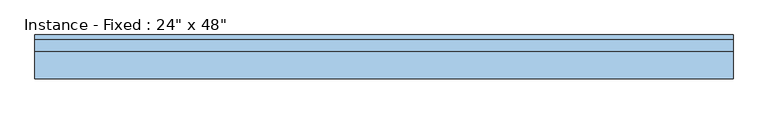
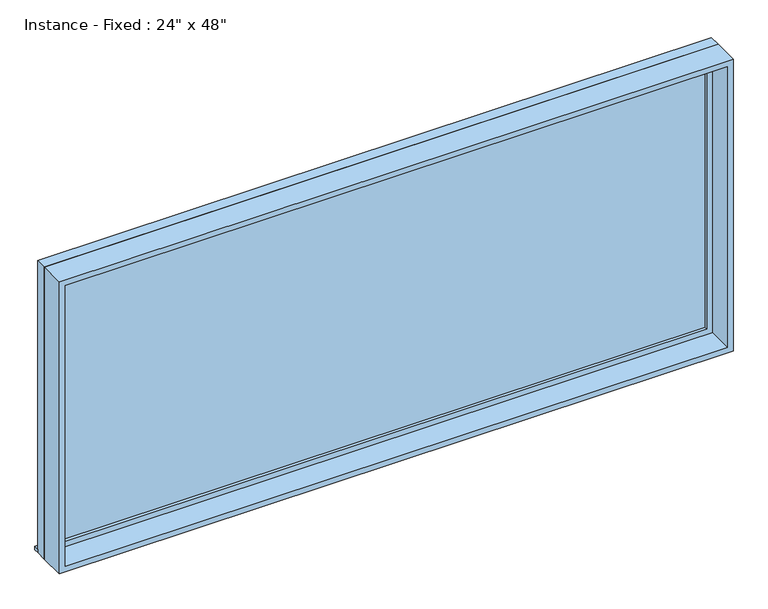
"""IFC4 building model written with IfcOpenShell, lengths in millimetres: window geometry."""

from ifc_helpers import new_model, si_unit, frame, origin, place, context, project, spatial, polyline, outline, extrude, source, transform, mapped, element, save


def window_60a8bd77(model_context):
    return source(origin(), model_context, "Body", "SweptSolid", [
        extrude(outline(polyline([(-1866.9, 127.0), (1790.7, 127.0), (1790.7, 101.6), (-1866.9, 101.6), (-1866.9, 127.0)])), frame((0.0, 0.0, 914.4), z_axis=(0.0, 0.0, 1.0), x_axis=(1.0, 0.0, 0.0)), (0.0, 0.0, 1.0), 19.05),
        extrude(outline(polyline([(1727.2, 53.975), (-1803.4, 53.975), (-1803.4, 66.675), (1727.2, 66.675), (1727.2, 53.975)])), frame((0.0, 0.0, 977.9), z_axis=(0.0, 0.0, 1.0), x_axis=(1.0, 0.0, 0.0)), (0.0, 0.0, 1.0), 1549.4),
        extrude(outline(polyline([(2571.75, -1847.85), (933.45, -1847.85), (933.45, 1771.65), (2571.75, 1771.65), (2571.75, -1847.85)]), holes=[polyline([(2527.3, -1803.4), (2527.3, 1727.2), (977.9, 1727.2), (977.9, -1803.4), (2527.3, -1803.4)])]), frame((0.0, 38.1, 0.0), z_axis=(0.0, 1.0, 0.0), x_axis=(0.0, 0.0, 1.0)), (0.0, 0.0, 1.0), 44.45),
        extrude(outline(polyline([(2590.8, -1866.9), (914.4, -1866.9), (914.4, 1790.7), (2590.8, 1790.7), (2590.8, -1866.9)]), holes=[polyline([(2559.05, -1835.15), (2559.05, 1758.95), (946.15, 1758.95), (946.15, -1835.15), (2559.05, -1835.15)])]), frame((0.0, -101.6, 0.0), z_axis=(0.0, 1.0, 0.0), x_axis=(0.0, 0.0, 1.0)), (0.0, 0.0, 1.0), 139.7),
        extrude(outline(polyline([(2590.8, 1790.7), (2590.8, -1866.9), (914.4, -1866.9), (914.4, 1790.7), (2590.8, 1790.7)]), holes=[polyline([(2571.75, 1771.65), (933.45, 1771.65), (933.45, -1847.85), (2571.75, -1847.85), (2571.75, 1771.65)])]), frame((0.0, 38.1, 0.0), z_axis=(0.0, 1.0, 0.0), x_axis=(0.0, 0.0, 1.0)), (0.0, 0.0, 1.0), 63.5),
    ])


if __name__ == "__main__":
    model = new_model("IFC4")
    model_context = context("Model", 3, world=origin())
    ifc_project = project(units=[si_unit("LENGTHUNIT", "METRE", prefix="MILLI")], contexts=[model_context])
    site = spatial("IfcSite", under=ifc_project)
    building = spatial("IfcBuilding", under=site)
    placement = place(None, origin())
    window_shape = window_60a8bd77(model_context)
    element("IfcWindow", 1, ObjectType="Instance - Fixed : 24\" x 48\"", at=placement, inside=building, context=model_context, shape_type="MappedRepresentation", body=[
        mapped(window_shape, transform((0.0, 0.0, 0.0), x_axis=(1.0, 0.0, 0.0), y_axis=(0.0, 1.0, 0.0), z_axis=(0.0, 0.0, 1.0))),
    ])
    save(model, "model.ifc")
